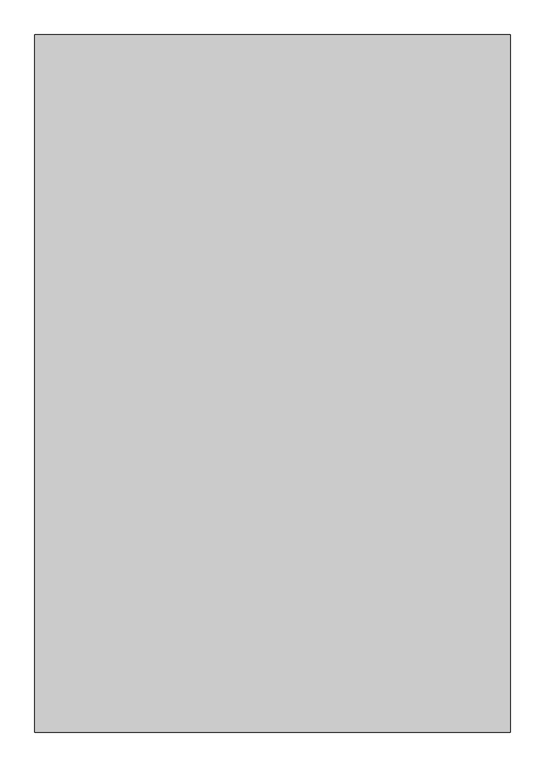
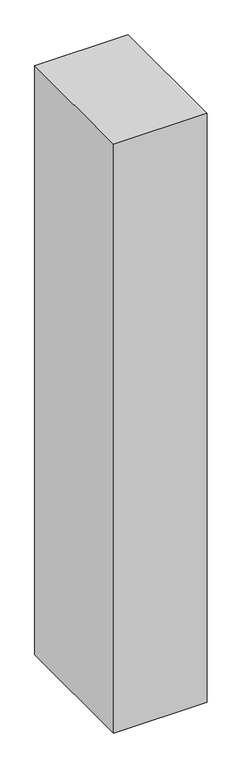
"""IFC4 building model written with IfcOpenShell, lengths in millimetres: proxy geometry."""

import ifcopenshell
import ifcopenshell.guid

model = None  # the IFC model being written
_history = None  # IfcOwnerHistory: only IFC2X3 demands one
_inside = {}  # id of a spatial element -> (the spatial element, [elements in it])
_under = {}  # id of a project, library or spatial element -> (it, [spatial elements below it])
_declared = {}  # id of a project -> (the project, [libraries it declares])
_typed = {}  # id of a type object -> (the type object, [elements of that type])
_made_of = {}  # id of a material, layer set ... -> (it, [elements and type objects made of it])


def new_model(schema):
    """Start an empty IFC model of exactly this schema.

    Asked for "IFC4X3", IfcOpenShell would pick the latest addendum, in which some entities
    have other attributes; the version numbers below select the first issue.
    IFC2X3 requires an IfcOwnerHistory on every rooted entity: one is made here for all.
    """
    global model, _history
    if schema == "IFC4X3":
        model = ifcopenshell.file(schema_version=(4, 3, 0, 0))
    else:
        model = ifcopenshell.file(schema=schema)
    _inside.clear()
    _under.clear()
    _declared.clear()
    _typed.clear()
    _made_of.clear()
    _history = None
    if model.schema == "IFC2X3":
        org = make("IfcOrganization", Name="unknown")
        user = make(
            "IfcPersonAndOrganization",
            ThePerson=make("IfcPerson", FamilyName="unknown"),
            TheOrganization=org,
        )
        app = make(
            "IfcApplication",
            ApplicationDeveloper=org,
            Version="unknown",
            ApplicationFullName="unknown",
            ApplicationIdentifier="unknown",
        )
        _history = make(
            "IfcOwnerHistory",
            OwningUser=user,
            OwningApplication=app,
            ChangeAction="ADDED",
            CreationDate=0,
        )
    return model


def make(cls, **values):
    """One entity of the class cls with the attributes given. An attribute that is None is left unset."""
    return model.create_entity(
        cls, **{name: value for name, value in values.items() if value is not None}
    )


def rooted(cls, **values):
    """An entity with a GlobalId (a new one), such as an element, a storey or a relation."""
    return make(cls, GlobalId=ifcopenshell.guid.new(), OwnerHistory=_history, **values)


def si_unit(unit_type, name, prefix=None):
    """IfcSIUnit, for example si_unit("LENGTHUNIT", "METRE", prefix="MILLI")."""
    return make("IfcSIUnit", UnitType=unit_type, Prefix=prefix, Name=name)


def assignment(units):
    """IfcUnitAssignment: the units of a project."""
    return None if units is None else make("IfcUnitAssignment", Units=units)


def point(xyz):
    """IfcCartesianPoint."""
    return None if xyz is None else make("IfcCartesianPoint", Coordinates=xyz)


def direction(xyz):
    """IfcDirection."""
    return None if xyz is None else make("IfcDirection", DirectionRatios=xyz)


def frame(location, z_axis=None, x_axis=None):
    """IfcAxis2Placement3D, a coordinate frame: its origin and axes. An axis left out is left unset."""
    return make(
        "IfcAxis2Placement3D",
        Location=point(location),
        Axis=direction(z_axis),
        RefDirection=direction(x_axis),
    )


def origin():
    """The frame at (0, 0, 0) with its axes left unset."""
    return frame((0.0, 0.0, 0.0))


def place(relative_to, where):
    """IfcLocalPlacement: puts the frame where relative to a parent placement (None: the world)."""
    return make(
        "IfcLocalPlacement", PlacementRelTo=relative_to, RelativePlacement=where
    )


def context(
    kind, dimensions, precision=None, world=None, true_north=None, identifier=None
):
    """IfcGeometricRepresentationContext, for example the 3D "Model" context."""
    return make(
        "IfcGeometricRepresentationContext",
        ContextIdentifier=identifier,
        ContextType=kind,
        CoordinateSpaceDimension=dimensions,
        Precision=precision,
        WorldCoordinateSystem=world,
        TrueNorth=true_north,
    )


def project(units=None, contexts=None):
    """IfcProject with its units and contexts."""
    return rooted(
        "IfcProject",
        Name="project",
        RepresentationContexts=contexts,
        UnitsInContext=assignment(units),
    )


def spatial(cls, under=None, at=None, **own):
    """A site, building, storey or space (cls), placed at a placement, below another one or the project."""
    s = rooted(cls, ObjectPlacement=at, **own)
    if under is not None:
        _under.setdefault(under.id(), (under, []))[1].append(s)
    return s


def polyline(points):
    """IfcPolyline through the points."""
    return make("IfcPolyline", Points=[point(p) for p in points])


def outline(outer, holes=None, kind="AREA"):
    """IfcArbitraryClosedProfileDef: a profile drawn as a closed curve; with holes, ...WithVoids."""
    if holes is None:
        return make("IfcArbitraryClosedProfileDef", ProfileType=kind, OuterCurve=outer)
    return make(
        "IfcArbitraryProfileDefWithVoids",
        ProfileType=kind,
        OuterCurve=outer,
        InnerCurves=holes,
    )


def extrude(swept, where, along, depth):
    """IfcExtrudedAreaSolid: the profile swept, set in the frame where, extruded along a direction by depth."""
    return make(
        "IfcExtrudedAreaSolid",
        SweptArea=swept,
        Position=where,
        ExtrudedDirection=direction(along),
        Depth=depth,
    )


def shape(context_of_items, identifier, shape_type, items):
    """IfcShapeRepresentation: the items that make up one representation, for example the "Body"."""
    return make(
        "IfcShapeRepresentation",
        ContextOfItems=context_of_items,
        RepresentationIdentifier=identifier,
        RepresentationType=shape_type,
        Items=items,
    )


def source(mapping_origin, context_of_items, identifier, shape_type, items):
    """IfcRepresentationMap: a shape defined once, which mapped items show again and again."""
    return make(
        "IfcRepresentationMap",
        MappingOrigin=mapping_origin,
        MappedRepresentation=shape(context_of_items, identifier, shape_type, items),
    )


def transform(
    local_origin,
    x_axis=None,
    y_axis=None,
    z_axis=None,
    scale=None,
    scale2=None,
    scale3=None,
    uniform=True,
):
    """IfcCartesianTransformationOperator3D, or its non-uniform kind. x_axis, y_axis, z_axis: its Axis1, 2, 3."""
    if uniform:
        return make(
            "IfcCartesianTransformationOperator3D",
            Axis1=direction(x_axis),
            Axis2=direction(y_axis),
            LocalOrigin=point(local_origin),
            Scale=scale,
            Axis3=direction(z_axis),
        )
    return make(
        "IfcCartesianTransformationOperator3DnonUniform",
        Axis1=direction(x_axis),
        Axis2=direction(y_axis),
        LocalOrigin=point(local_origin),
        Scale=scale,
        Axis3=direction(z_axis),
        Scale2=scale2,
        Scale3=scale3,
    )


def mapped(mapping_source, mapping_target):
    """IfcMappedItem: shows the shape of a source again, moved by a transform."""
    return make(
        "IfcMappedItem", MappingSource=mapping_source, MappingTarget=mapping_target
    )


def made_of(thing, what):
    """Note that an element or type object is made of a material, layer set ...; save() writes the relation."""
    if what is not None:
        _made_of.setdefault(what.id(), (what, []))[1].append(thing)
    return thing


def element(
    cls,
    number,
    at=None,
    inside=None,
    cuts=None,
    type_object=None,
    material=None,
    context=None,
    identifier="Body",
    shape_type=None,
    held_by="IfcProductDefinitionShape",
    body=None,
    shapes=None,
    **own,
):
    """One element of the class cls, such as IfcWall. Its Tag is "e" and its number.

    at: its placement. inside: the storey or other place that contains it. cuts: it is an
    opening in that element (IfcRelVoidsElement). A single representation is given by context,
    identifier, shape_type and body (its items); several are given by shapes. held_by: the class
    of the entity that holds the representations. save() writes the other relations.
    """
    e = rooted(cls, Tag="e%d" % number, ObjectPlacement=at, **own)
    if body is not None:
        shapes = [shape(context, identifier, shape_type, body)]
    if shapes is not None:
        e.Representation = make(held_by, Representations=shapes)
    if inside is not None:
        _inside.setdefault(inside.id(), (inside, []))[1].append(e)
    if cuts is not None:
        rooted(
            "IfcRelVoidsElement", RelatingBuildingElement=cuts, RelatedOpeningElement=e
        )
    if type_object is not None:
        _typed.setdefault(type_object.id(), (type_object, []))[1].append(e)
    return made_of(e, material)


def aggregate(whole, parts):
    """IfcRelAggregates: a whole, such as a stair, and the parts it consists of."""
    return rooted("IfcRelAggregates", RelatingObject=whole, RelatedObjects=parts)


def save(model, path):
    """Write the relations noted so far, then the file.

    IfcRelAggregates (storeys below a building ...), IfcRelContainedInSpatialStructure (elements
    in a storey), IfcRelDefinesByType, IfcRelAssociatesMaterial and IfcRelDeclares: one each for
    every whole, place, type object, material and project.
    """
    for whole, parts in _under.values():
        aggregate(whole, parts)
    for where, things in _inside.values():
        rooted(
            "IfcRelContainedInSpatialStructure",
            RelatedElements=things,
            RelatingStructure=where,
        )
    for kind, things in _typed.values():
        rooted("IfcRelDefinesByType", RelatedObjects=things, RelatingType=kind)
    for what, things in _made_of.values():
        rooted("IfcRelAssociatesMaterial", RelatedObjects=things, RelatingMaterial=what)
    for by, libraries in _declared.values():
        rooted("IfcRelDeclares", RelatingContext=by, RelatedDefinitions=libraries)
    model.write(path)


def generic_models_18c8f938(model_context):
    return source(origin(), model_context, "Body", "SweptSolid", [
        extrude(outline(polyline([(1500.0, -1790.3998032), (0.0, -1790.3998032), (0.0, 409.6001968), (1500.0, 409.6001968), (1500.0, -1790.3998032)])), frame((0.0, 0.0, 1500.0), z_axis=(0.0, 0.0, 1.0), x_axis=(1.0, 0.0, 0.0)), (0.0, 0.0, 1.0), 10000.0),
    ])


if __name__ == "__main__":
    model = new_model("IFC4")
    model_context = context("Model", 3, world=origin())
    ifc_project = project(units=[si_unit("LENGTHUNIT", "METRE", prefix="MILLI")], contexts=[model_context])
    site = spatial("IfcSite", under=ifc_project)
    building = spatial("IfcBuilding", under=site)
    placement = place(None, origin())
    generic_models_shape = generic_models_18c8f938(model_context)
    element("IfcBuildingElementProxy", 1, Name="Generic Models", at=placement, inside=building, context=model_context, shape_type="MappedRepresentation", body=[
        mapped(generic_models_shape, transform((0.0, 0.0, 0.0), x_axis=(1.0, 0.0, 0.0), y_axis=(0.0, 1.0, 0.0), z_axis=(0.0, 0.0, 1.0))),
    ])
    save(model, "model.ifc")
